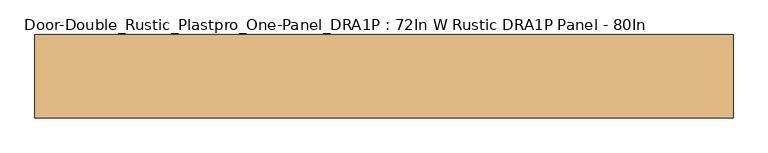
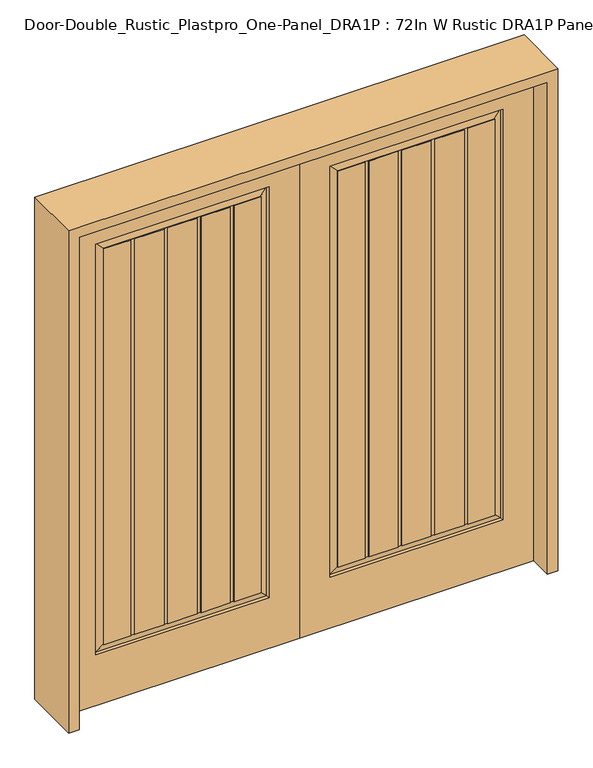
"""IFC4 building model written with IfcOpenShell, lengths in millimetres: door geometry, Door-Double_Rustic_Plastpro_One-Panel_DRA1P : 72In W Rustic DRA1P Panel - 80In."""

import ifcopenshell
import ifcopenshell.guid

model = None  # the IFC model being written
_history = None  # IfcOwnerHistory: only IFC2X3 demands one
_inside = {}  # id of a spatial element -> (the spatial element, [elements in it])
_under = {}  # id of a project, library or spatial element -> (it, [spatial elements below it])
_declared = {}  # id of a project -> (the project, [libraries it declares])
_typed = {}  # id of a type object -> (the type object, [elements of that type])
_made_of = {}  # id of a material, layer set ... -> (it, [elements and type objects made of it])


def new_model(schema):
    """Start an empty IFC model of exactly this schema.

    Asked for "IFC4X3", IfcOpenShell would pick the latest addendum, in which some entities
    have other attributes; the version numbers below select the first issue.
    IFC2X3 requires an IfcOwnerHistory on every rooted entity: one is made here for all.
    """
    global model, _history
    if schema == "IFC4X3":
        model = ifcopenshell.file(schema_version=(4, 3, 0, 0))
    else:
        model = ifcopenshell.file(schema=schema)
    _inside.clear()
    _under.clear()
    _declared.clear()
    _typed.clear()
    _made_of.clear()
    _history = None
    if model.schema == "IFC2X3":
        org = make("IfcOrganization", Name="unknown")
        user = make(
            "IfcPersonAndOrganization",
            ThePerson=make("IfcPerson", FamilyName="unknown"),
            TheOrganization=org,
        )
        app = make(
            "IfcApplication",
            ApplicationDeveloper=org,
            Version="unknown",
            ApplicationFullName="unknown",
            ApplicationIdentifier="unknown",
        )
        _history = make(
            "IfcOwnerHistory",
            OwningUser=user,
            OwningApplication=app,
            ChangeAction="ADDED",
            CreationDate=0,
        )
    return model


def make(cls, **values):
    """One entity of the class cls with the attributes given. An attribute that is None is left unset."""
    return model.create_entity(
        cls, **{name: value for name, value in values.items() if value is not None}
    )


def rooted(cls, **values):
    """An entity with a GlobalId (a new one), such as an element, a storey or a relation."""
    return make(cls, GlobalId=ifcopenshell.guid.new(), OwnerHistory=_history, **values)


def si_unit(unit_type, name, prefix=None):
    """IfcSIUnit, for example si_unit("LENGTHUNIT", "METRE", prefix="MILLI")."""
    return make("IfcSIUnit", UnitType=unit_type, Prefix=prefix, Name=name)


def assignment(units):
    """IfcUnitAssignment: the units of a project."""
    return None if units is None else make("IfcUnitAssignment", Units=units)


def point(xyz):
    """IfcCartesianPoint."""
    return None if xyz is None else make("IfcCartesianPoint", Coordinates=xyz)


def direction(xyz):
    """IfcDirection."""
    return None if xyz is None else make("IfcDirection", DirectionRatios=xyz)


def frame(location, z_axis=None, x_axis=None):
    """IfcAxis2Placement3D, a coordinate frame: its origin and axes. An axis left out is left unset."""
    return make(
        "IfcAxis2Placement3D",
        Location=point(location),
        Axis=direction(z_axis),
        RefDirection=direction(x_axis),
    )


def origin():
    """The frame at (0, 0, 0) with its axes left unset."""
    return frame((0.0, 0.0, 0.0))


def place(relative_to, where):
    """IfcLocalPlacement: puts the frame where relative to a parent placement (None: the world)."""
    return make(
        "IfcLocalPlacement", PlacementRelTo=relative_to, RelativePlacement=where
    )


def context(
    kind, dimensions, precision=None, world=None, true_north=None, identifier=None
):
    """IfcGeometricRepresentationContext, for example the 3D "Model" context."""
    return make(
        "IfcGeometricRepresentationContext",
        ContextIdentifier=identifier,
        ContextType=kind,
        CoordinateSpaceDimension=dimensions,
        Precision=precision,
        WorldCoordinateSystem=world,
        TrueNorth=true_north,
    )


def project(units=None, contexts=None):
    """IfcProject with its units and contexts."""
    return rooted(
        "IfcProject",
        Name="project",
        RepresentationContexts=contexts,
        UnitsInContext=assignment(units),
    )


def spatial(cls, under=None, at=None, **own):
    """A site, building, storey or space (cls), placed at a placement, below another one or the project."""
    s = rooted(cls, ObjectPlacement=at, **own)
    if under is not None:
        _under.setdefault(under.id(), (under, []))[1].append(s)
    return s


def polyline(points):
    """IfcPolyline through the points."""
    return make("IfcPolyline", Points=[point(p) for p in points])


def outline(outer, holes=None, kind="AREA"):
    """IfcArbitraryClosedProfileDef: a profile drawn as a closed curve; with holes, ...WithVoids."""
    if holes is None:
        return make("IfcArbitraryClosedProfileDef", ProfileType=kind, OuterCurve=outer)
    return make(
        "IfcArbitraryProfileDefWithVoids",
        ProfileType=kind,
        OuterCurve=outer,
        InnerCurves=holes,
    )


def extrude(swept, where, along, depth):
    """IfcExtrudedAreaSolid: the profile swept, set in the frame where, extruded along a direction by depth."""
    return make(
        "IfcExtrudedAreaSolid",
        SweptArea=swept,
        Position=where,
        ExtrudedDirection=direction(along),
        Depth=depth,
    )


def faces_of(points, faces, orient=None, outer=None):
    """IfcFace entities. A face is a list of loops; a loop is a list of indices into points, from 0.

    orient and outer hold one flag for each loop. By default every Orientation is true, the
    first loop of a face is its IfcFaceOuterBound and the others are IfcFaceBound.
    """
    made = []
    for i, loops in enumerate(faces):
        bounds = []
        for j, loop in enumerate(loops):
            is_outer = j == 0 if outer is None else outer[i][j]
            bounds.append(
                make(
                    "IfcFaceOuterBound" if is_outer else "IfcFaceBound",
                    Bound=make("IfcPolyLoop", Polygon=[points[k] for k in loop]),
                    Orientation=True if orient is None else orient[i][j],
                )
            )
        made.append(make("IfcFace", Bounds=bounds))
    return made


def faceted_brep(points, faces, orient=None, outer=None, voids=None):
    """IfcFacetedBrep: a solid bounded by flat faces; with voids (closed shells), ...WithVoids."""
    shared = [point(p) for p in points]
    hull = make("IfcClosedShell", CfsFaces=faces_of(shared, faces, orient, outer))
    if voids is None:
        return make("IfcFacetedBrep", Outer=hull)
    return make(
        "IfcFacetedBrepWithVoids",
        Outer=hull,
        Voids=[
            make(cls, CfsFaces=faces_of(shared, fs, o, b)) for cls, fs, o, b in voids
        ],
    )


def shape(context_of_items, identifier, shape_type, items):
    """IfcShapeRepresentation: the items that make up one representation, for example the "Body"."""
    return make(
        "IfcShapeRepresentation",
        ContextOfItems=context_of_items,
        RepresentationIdentifier=identifier,
        RepresentationType=shape_type,
        Items=items,
    )


def source(mapping_origin, context_of_items, identifier, shape_type, items):
    """IfcRepresentationMap: a shape defined once, which mapped items show again and again."""
    return make(
        "IfcRepresentationMap",
        MappingOrigin=mapping_origin,
        MappedRepresentation=shape(context_of_items, identifier, shape_type, items),
    )


def transform(
    local_origin,
    x_axis=None,
    y_axis=None,
    z_axis=None,
    scale=None,
    scale2=None,
    scale3=None,
    uniform=True,
):
    """IfcCartesianTransformationOperator3D, or its non-uniform kind. x_axis, y_axis, z_axis: its Axis1, 2, 3."""
    if uniform:
        return make(
            "IfcCartesianTransformationOperator3D",
            Axis1=direction(x_axis),
            Axis2=direction(y_axis),
            LocalOrigin=point(local_origin),
            Scale=scale,
            Axis3=direction(z_axis),
        )
    return make(
        "IfcCartesianTransformationOperator3DnonUniform",
        Axis1=direction(x_axis),
        Axis2=direction(y_axis),
        LocalOrigin=point(local_origin),
        Scale=scale,
        Axis3=direction(z_axis),
        Scale2=scale2,
        Scale3=scale3,
    )


def mapped(mapping_source, mapping_target):
    """IfcMappedItem: shows the shape of a source again, moved by a transform."""
    return make(
        "IfcMappedItem", MappingSource=mapping_source, MappingTarget=mapping_target
    )


def made_of(thing, what):
    """Note that an element or type object is made of a material, layer set ...; save() writes the relation."""
    if what is not None:
        _made_of.setdefault(what.id(), (what, []))[1].append(thing)
    return thing


def element(
    cls,
    number,
    at=None,
    inside=None,
    cuts=None,
    type_object=None,
    material=None,
    context=None,
    identifier="Body",
    shape_type=None,
    held_by="IfcProductDefinitionShape",
    body=None,
    shapes=None,
    **own,
):
    """One element of the class cls, such as IfcWall. Its Tag is "e" and its number.

    at: its placement. inside: the storey or other place that contains it. cuts: it is an
    opening in that element (IfcRelVoidsElement). A single representation is given by context,
    identifier, shape_type and body (its items); several are given by shapes. held_by: the class
    of the entity that holds the representations. save() writes the other relations.
    """
    e = rooted(cls, Tag="e%d" % number, ObjectPlacement=at, **own)
    if body is not None:
        shapes = [shape(context, identifier, shape_type, body)]
    if shapes is not None:
        e.Representation = make(held_by, Representations=shapes)
    if inside is not None:
        _inside.setdefault(inside.id(), (inside, []))[1].append(e)
    if cuts is not None:
        rooted(
            "IfcRelVoidsElement", RelatingBuildingElement=cuts, RelatedOpeningElement=e
        )
    if type_object is not None:
        _typed.setdefault(type_object.id(), (type_object, []))[1].append(e)
    return made_of(e, material)


def aggregate(whole, parts):
    """IfcRelAggregates: a whole, such as a stair, and the parts it consists of."""
    return rooted("IfcRelAggregates", RelatingObject=whole, RelatedObjects=parts)


def save(model, path):
    """Write the relations noted so far, then the file.

    IfcRelAggregates (storeys below a building ...), IfcRelContainedInSpatialStructure (elements
    in a storey), IfcRelDefinesByType, IfcRelAssociatesMaterial and IfcRelDeclares: one each for
    every whole, place, type object, material and project.
    """
    for whole, parts in _under.values():
        aggregate(whole, parts)
    for where, things in _inside.values():
        rooted(
            "IfcRelContainedInSpatialStructure",
            RelatedElements=things,
            RelatingStructure=where,
        )
    for kind, things in _typed.values():
        rooted("IfcRelDefinesByType", RelatedObjects=things, RelatingType=kind)
    for what, things in _made_of.values():
        rooted("IfcRelAssociatesMaterial", RelatedObjects=things, RelatingMaterial=what)
    for by, libraries in _declared.values():
        rooted("IfcRelDeclares", RelatingContext=by, RelatedDefinitions=libraries)
    model.write(path)


def door_double_rustic_plastpro_one_panel_dra1p_72in_w_rustic_4f446e52(model_context):
    return source(origin(), model_context, "Body", "SolidModel", [
        faceted_brep([(-914.4, 20.6375, 0.0), (-914.4, 20.6375, 2032.0), (0.0, 20.6375, 2032.0), (0.0, 20.6375, 0.0), (-643.2818925, 20.6375, 209.55), (-529.0195267, 20.6375, 209.55), (-513.7398392, 20.6375, 209.55), (-399.4774733, 20.6375, 209.55), (-384.1977858, 20.6375, 209.55), (-269.93542, 20.6375, 209.55), (-254.6557325, 20.6375, 209.55), (-119.0625, 20.6375, 209.55), (-119.0625, 20.6375, 1905.0), (-795.3375, 20.6375, 1905.0), (-795.3375, 20.6375, 209.55), (-658.56158, 20.6375, 209.55), (-658.56158, 20.6375, 1866.9), (-658.56158, 20.6375, 240.75717), (-764.13033, 20.6375, 240.75717), (-764.13033, 20.6375, 1873.79283), (-150.26967, 20.6375, 1873.79283), (-150.26967, 20.6375, 240.75717), (-254.6557325, 20.6375, 240.75717), (-254.6557325, 20.6375, 1866.9), (-269.93542, 20.6375, 1866.9), (-269.93542, 20.6375, 240.75717), (-384.1977858, 20.6375, 240.75717), (-384.1977858, 20.6375, 1866.9), (-399.4774733, 20.6375, 1866.9), (-399.4774733, 20.6375, 240.75717), (-513.7398392, 20.6375, 240.75717), (-513.7398392, 20.6375, 1866.9), (-529.0195267, 20.6375, 1866.9), (-529.0195267, 20.6375, 240.75717), (-643.2818925, 20.6375, 240.75717), (-643.2818925, 20.6375, 1866.9), (0.0, -20.6375, 0.0), (-914.4, -20.6375, 0.0), (0.0, -20.6375, 2032.0), (-914.4, -20.6375, 2032.0), (-658.56158, 17.4625, 209.55), (-643.2818925, 17.4625, 209.55), (-399.4774733, 17.4625, 209.55), (-384.1977858, 17.4625, 209.55), (-529.0195267, 17.4625, 209.55), (-513.7398392, 17.4625, 209.55), (-658.56158, 17.4625, 210.9636011), (-658.56158, 17.4625, 1866.9), (-658.56158, 17.4625, 240.75717), (-384.1977858, 17.4625, 240.75717), (-384.1977858, 17.4625, 1866.9), (-384.1977858, 17.4625, 210.9636011), (-643.2818925, 17.4625, 240.75717), (-643.2818925, 17.4625, 1866.9), (-643.2818925, 17.4625, 210.9636011), (-529.0195267, 17.4625, 210.9636011), (-529.0195267, 17.4625, 1866.9), (-529.0195267, 17.4625, 240.75717), (-513.7398392, 17.4625, 240.75717), (-513.7398392, 17.4625, 1866.9), (-513.7398392, 17.4625, 210.9636011), (-399.4774733, 17.4625, 210.9636011), (-399.4774733, 17.4625, 1866.9), (-399.4774733, 17.4625, 240.75717), (-795.3375, -20.6375, 209.55), (-795.3375, -20.6375, 1905.0), (-119.0625, -20.6375, 1905.0), (-119.0625, -20.6375, 209.55), (-400.2659317, -20.6375, 1873.79283), (-514.1340683, -20.6375, 1873.79283), (-514.1340683, -20.6375, 240.75717), (-400.2659317, -20.6375, 240.75717), (-384.9862442, -20.6375, 240.75717), (-271.1181075, -20.6375, 240.75717), (-271.1181075, -20.6375, 1873.79283), (-384.9862442, -20.6375, 1873.79283), (-529.4137558, -20.6375, 1873.79283), (-643.2818925, -20.6375, 1873.79283), (-643.2818925, -20.6375, 240.75717), (-529.4137558, -20.6375, 240.75717), (-658.56158, -20.6375, 1873.79283), (-764.13033, -20.6375, 1873.79283), (-764.13033, -20.6375, 240.75717), (-658.56158, -20.6375, 240.75717), (-255.83842, -20.6375, 240.75717), (-150.26967, -20.6375, 240.75717), (-150.26967, -20.6375, 1873.79283), (-255.83842, -20.6375, 1873.79283), (-400.2659317, -17.4625, 240.75717), (-400.2659317, -17.4625, 1873.79283), (-514.1340683, -17.4625, 1873.79283), (-514.1340683, -17.4625, 240.75717), (-529.4137558, -17.4625, 240.75717), (-529.4137558, -17.4625, 1873.79283), (-384.9862442, -17.4625, 1873.79283), (-384.9862442, -17.4625, 240.75717), (-658.56158, -17.4625, 240.75717), (-658.56158, -17.4625, 1873.79283), (-123.281307, 11.1619043, 213.768807), (-254.6557325, 17.4625, 210.9636011), (-269.93542, 17.4625, 210.9636011), (-791.118693, 11.1619043, 213.768807), (-791.118693, 11.1619043, 1900.781193), (-123.281307, 11.1619043, 1900.781193), (-269.93542, 17.4625, 209.55), (-254.6557325, 17.4625, 209.55), (-764.13033, 16.4079106, 240.75717), (-269.93542, 17.4625, 240.75717), (-254.6557325, 17.4625, 240.75717), (-150.26967, 16.4079106, 240.75717), (-269.93542, 17.4625, 1866.9), (-254.6557325, 17.4625, 1866.9), (-150.26967, 16.4079106, 1873.79283), (-764.13033, 16.4079106, 1873.79283), (-150.26967, -16.4079106, 240.75717), (-255.83842, -17.4625, 240.75717), (-271.1181075, -17.4625, 240.75717), (-643.2818925, -17.4625, 240.75717), (-764.13033, -16.4079106, 240.75717), (-271.1181075, -17.4625, 1873.79283), (-643.2818925, -17.4625, 1873.79283), (-791.118693, -11.1619043, 213.768807), (-123.281307, -11.1619043, 213.768807), (-123.281307, -11.1619043, 1900.781193), (-791.118693, -11.1619043, 1900.781193), (-764.13033, -16.4079106, 1873.79283), (-255.83842, -17.4625, 1873.79283), (-150.26967, -16.4079106, 1873.79283)], [[[0, 1, 2, 3], [4, 5, 6, 7, 8, 9, 10, 11, 12, 13, 14, 15]], [[16, 17, 18, 19, 20, 21, 22, 23, 24, 25, 26, 27, 28, 29, 30, 31, 32, 33, 34, 35]], [[3, 36, 37, 0]], [[2, 38, 36, 3]], [[0, 37, 39, 1]], [[15, 40, 41, 4]], [[7, 42, 43, 8]], [[5, 44, 45, 6]], [[15, 46, 40]], [[47, 48, 17, 16]], [[27, 26, 49, 50]], [[43, 51, 8]], [[35, 34, 52, 53]], [[41, 54, 4]], [[5, 55, 44]], [[56, 57, 33, 32]], [[31, 30, 58, 59]], [[45, 60, 6]], [[7, 61, 42]], [[62, 63, 29, 28]], [[36, 38, 39, 37], [64, 65, 66, 67]], [[68, 69, 70, 71]], [[72, 73, 74, 75]], [[76, 77, 78, 79]], [[80, 81, 82, 83]], [[84, 85, 86, 87]], [[71, 88, 89, 68]], [[69, 90, 91, 70]], [[79, 92, 93, 76]], [[75, 94, 95, 72]], [[83, 96, 97, 80]], [[88, 95, 94, 89]], [[92, 91, 90, 93]], [[42, 61, 51, 43]], [[50, 49, 63, 62]], [[44, 55, 60, 45]], [[59, 58, 57, 56]], [[40, 46, 54, 41]], [[53, 52, 48, 47]], [[1, 39, 38, 2]], [[35, 53, 47, 16]], [[27, 50, 62, 28]], [[31, 59, 56, 32]], [[98, 11, 10, 99, 100, 9, 8, 51, 61, 7, 6, 60, 55, 5, 4, 54, 46, 15, 14, 101]], [[14, 13, 102, 101]], [[98, 103, 12, 11]], [[9, 104, 105, 10]], [[106, 18, 17, 48, 52, 34, 33, 57, 58, 30, 29, 63, 49, 26, 25, 107, 108, 22, 21, 109]], [[9, 100, 104]], [[110, 107, 25, 24]], [[23, 22, 108, 111]], [[105, 99, 10]], [[21, 20, 112, 109]], [[106, 113, 19, 18]], [[114, 85, 84, 115, 116, 73, 72, 95, 88, 71, 70, 91, 92, 79, 78, 117, 96, 83, 82, 118]], [[73, 116, 119, 74]], [[77, 120, 117, 78]], [[121, 64, 67, 122]], [[67, 66, 123, 122]], [[121, 124, 65, 64]], [[82, 81, 125, 118]], [[87, 126, 115, 84]], [[114, 127, 86, 85]], [[118, 121, 122, 114]], [[96, 117, 120, 97]], [[116, 115, 126, 119]], [[122, 123, 127, 114]], [[118, 125, 124, 121]], [[101, 106, 109, 98]], [[104, 100, 99, 105]], [[111, 108, 107, 110]], [[109, 112, 103, 98]], [[101, 102, 113, 106]], [[13, 12, 103, 102]], [[124, 123, 66, 65]], [[125, 127, 123, 124]], [[102, 103, 112, 113]], [[81, 80, 97, 120, 77, 76, 93, 90, 69, 68, 89, 94, 75, 74, 119, 126, 87, 86, 127, 125]], [[113, 112, 20, 19]], [[23, 111, 110, 24]]]),
        faceted_brep([(914.4, 20.6375, 0.0), (0.0, 20.6375, 0.0), (0.0, 20.6375, 2032.0), (914.4, 20.6375, 2032.0), (643.2818925, 20.6375, 209.55), (658.56158, 20.6375, 209.55), (795.3375, 20.6375, 209.55), (795.3375, 20.6375, 1905.0), (119.0625, 20.6375, 1905.0), (119.0625, 20.6375, 209.55), (254.6557325, 20.6375, 209.55), (269.93542, 20.6375, 209.55), (384.1977858, 20.6375, 209.55), (399.4774733, 20.6375, 209.55), (513.7398392, 20.6375, 209.55), (529.0195267, 20.6375, 209.55), (658.56158, 20.6375, 1866.9), (643.2818925, 20.6375, 1866.9), (643.2818925, 20.6375, 240.75717), (529.0195267, 20.6375, 240.75717), (529.0195267, 20.6375, 1866.9), (513.7398392, 20.6375, 1866.9), (513.7398392, 20.6375, 240.75717), (399.4774733, 20.6375, 240.75717), (399.4774733, 20.6375, 1866.9), (384.1977858, 20.6375, 1866.9), (384.1977858, 20.6375, 240.75717), (269.93542, 20.6375, 240.75717), (269.93542, 20.6375, 1866.9), (254.6557325, 20.6375, 1866.9), (254.6557325, 20.6375, 240.75717), (150.26967, 20.6375, 240.75717), (150.26967, 20.6375, 1873.79283), (764.13033, 20.6375, 1873.79283), (764.13033, 20.6375, 240.75717), (658.56158, 20.6375, 240.75717), (914.4, -20.6375, 0.0), (0.0, -20.6375, 0.0), (0.0, -20.6375, 2032.0), (914.4, -20.6375, 2032.0), (643.2818925, 17.4625, 209.55), (658.56158, 17.4625, 209.55), (384.1977858, 17.4625, 209.55), (399.4774733, 17.4625, 209.55), (513.7398392, 17.4625, 209.55), (529.0195267, 17.4625, 209.55), (658.56158, 17.4625, 210.9636011), (658.56158, 17.4625, 1866.9), (658.56158, 17.4625, 240.75717), (384.1977858, 17.4625, 210.9636011), (384.1977858, 17.4625, 1866.9), (384.1977858, 17.4625, 240.75717), (643.2818925, 17.4625, 210.9636011), (643.2818925, 17.4625, 1866.9), (643.2818925, 17.4625, 240.75717), (529.0195267, 17.4625, 210.9636011), (529.0195267, 17.4625, 1866.9), (529.0195267, 17.4625, 240.75717), (513.7398392, 17.4625, 210.9636011), (513.7398392, 17.4625, 1866.9), (513.7398392, 17.4625, 240.75717), (399.4774733, 17.4625, 210.9636011), (399.4774733, 17.4625, 1866.9), (399.4774733, 17.4625, 240.75717), (795.3375, -20.6375, 209.55), (119.0625, -20.6375, 209.55), (119.0625, -20.6375, 1905.0), (795.3375, -20.6375, 1905.0), (400.2659317, -20.6375, 1873.79283), (400.2659317, -20.6375, 240.75717), (514.1340683, -20.6375, 240.75717), (514.1340683, -20.6375, 1873.79283), (384.9862442, -20.6375, 240.75717), (384.9862442, -20.6375, 1873.79283), (271.1181075, -20.6375, 1873.79283), (271.1181075, -20.6375, 240.75717), (529.4137558, -20.6375, 1873.79283), (529.4137558, -20.6375, 240.75717), (643.2818925, -20.6375, 240.75717), (643.2818925, -20.6375, 1873.79283), (658.56158, -20.6375, 1873.79283), (658.56158, -20.6375, 240.75717), (764.13033, -20.6375, 240.75717), (764.13033, -20.6375, 1873.79283), (255.83842, -20.6375, 240.75717), (255.83842, -20.6375, 1873.79283), (150.26967, -20.6375, 1873.79283), (150.26967, -20.6375, 240.75717), (400.2659317, -17.4625, 1873.79283), (400.2659317, -17.4625, 240.75717), (514.1340683, -17.4625, 240.75717), (514.1340683, -17.4625, 1873.79283), (529.4137558, -17.4625, 1873.79283), (529.4137558, -17.4625, 240.75717), (384.9862442, -17.4625, 240.75717), (384.9862442, -17.4625, 1873.79283), (658.56158, -17.4625, 1873.79283), (658.56158, -17.4625, 240.75717), (123.281307, 11.1619043, 213.768807), (791.118693, 11.1619043, 213.768807), (269.93542, 17.4625, 210.9636011), (254.6557325, 17.4625, 210.9636011), (791.118693, 11.1619043, 1900.781193), (123.281307, 11.1619043, 1900.781193), (254.6557325, 17.4625, 209.55), (269.93542, 17.4625, 209.55), (764.13033, 16.4079106, 240.75717), (150.26967, 16.4079106, 240.75717), (254.6557325, 17.4625, 240.75717), (269.93542, 17.4625, 240.75717), (269.93542, 17.4625, 1866.9), (254.6557325, 17.4625, 1866.9), (150.26967, 16.4079106, 1873.79283), (764.13033, 16.4079106, 1873.79283), (150.26967, -16.4079106, 240.75717), (764.13033, -16.4079106, 240.75717), (643.2818925, -17.4625, 240.75717), (271.1181075, -17.4625, 240.75717), (255.83842, -17.4625, 240.75717), (271.1181075, -17.4625, 1873.79283), (643.2818925, -17.4625, 1873.79283), (791.118693, -11.1619043, 213.768807), (123.281307, -11.1619043, 213.768807), (123.281307, -11.1619043, 1900.781193), (791.118693, -11.1619043, 1900.781193), (764.13033, -16.4079106, 1873.79283), (255.83842, -17.4625, 1873.79283), (150.26967, -16.4079106, 1873.79283)], [[[0, 1, 2, 3], [4, 5, 6, 7, 8, 9, 10, 11, 12, 13, 14, 15]], [[16, 17, 18, 19, 20, 21, 22, 23, 24, 25, 26, 27, 28, 29, 30, 31, 32, 33, 34, 35]], [[1, 0, 36, 37]], [[2, 1, 37, 38]], [[0, 3, 39, 36]], [[5, 4, 40, 41]], [[13, 12, 42, 43]], [[15, 14, 44, 45]], [[5, 41, 46]], [[47, 16, 35, 48]], [[42, 12, 49]], [[25, 50, 51, 26]], [[40, 4, 52]], [[17, 53, 54, 18]], [[15, 45, 55]], [[56, 20, 19, 57]], [[44, 14, 58]], [[21, 59, 60, 22]], [[13, 43, 61]], [[62, 24, 23, 63]], [[37, 36, 39, 38], [64, 65, 66, 67]], [[68, 69, 70, 71]], [[72, 73, 74, 75]], [[76, 77, 78, 79]], [[80, 81, 82, 83]], [[84, 85, 86, 87]], [[69, 68, 88, 89]], [[71, 70, 90, 91]], [[77, 76, 92, 93]], [[73, 72, 94, 95]], [[81, 80, 96, 97]], [[89, 88, 95, 94]], [[93, 92, 91, 90]], [[43, 42, 49, 61]], [[50, 62, 63, 51]], [[45, 44, 58, 55]], [[59, 56, 57, 60]], [[41, 40, 52, 46]], [[53, 47, 48, 54]], [[3, 2, 38, 39]], [[17, 16, 47, 53]], [[25, 24, 62, 50]], [[21, 20, 56, 59]], [[98, 99, 6, 5, 46, 52, 4, 15, 55, 58, 14, 13, 61, 49, 12, 11, 100, 101, 10, 9]], [[6, 99, 102, 7]], [[98, 9, 8, 103]], [[11, 10, 104, 105]], [[106, 107, 31, 30, 108, 109, 27, 26, 51, 63, 23, 22, 60, 57, 19, 18, 54, 48, 35, 34]], [[11, 105, 100]], [[110, 28, 27, 109]], [[104, 10, 101]], [[29, 111, 108, 30]], [[31, 107, 112, 32]], [[106, 34, 33, 113]], [[114, 115, 82, 81, 97, 116, 78, 77, 93, 90, 70, 69, 89, 94, 72, 75, 117, 118, 84, 87]], [[75, 74, 119, 117]], [[79, 78, 116, 120]], [[121, 122, 65, 64]], [[65, 122, 123, 66]], [[121, 64, 67, 124]], [[82, 115, 125, 83]], [[85, 84, 118, 126]], [[114, 87, 86, 127]], [[115, 114, 122, 121]], [[97, 96, 120, 116]], [[117, 119, 126, 118]], [[122, 114, 127, 123]], [[115, 121, 124, 125]], [[99, 98, 107, 106]], [[105, 104, 101, 100]], [[111, 110, 109, 108]], [[107, 98, 103, 112]], [[99, 106, 113, 102]], [[7, 102, 103, 8]], [[124, 67, 66, 123]], [[125, 124, 123, 127]], [[102, 113, 112, 103]], [[83, 125, 127, 86, 85, 126, 119, 74, 73, 95, 88, 68, 71, 91, 92, 76, 79, 120, 96, 80]], [[113, 33, 32, 112]], [[29, 28, 110, 111]]]),
        extrude(outline(polyline([(2073.275, -955.675), (0.0, -955.675), (0.0, -914.4), (2032.0, -914.4), (2032.0, 914.4), (0.0, 914.4), (0.0, 955.675), (2073.275, 955.675), (2073.275, -955.675)])), frame((0.0, -114.3, 0.0), z_axis=(0.0, 1.0, 0.0), x_axis=(0.0, 0.0, 1.0)), (0.0, 0.0, 1.0), 228.6),
    ])


if __name__ == "__main__":
    model = new_model("IFC4")
    model_context = context("Model", 3, world=origin())
    ifc_project = project(units=[si_unit("LENGTHUNIT", "METRE", prefix="MILLI")], contexts=[model_context])
    site = spatial("IfcSite", under=ifc_project)
    building = spatial("IfcBuilding", under=site)
    placement = place(None, origin())
    door_double_rustic_plastpro_one_panel_dra1p_72in_w_rustic_shape = door_double_rustic_plastpro_one_panel_dra1p_72in_w_rustic_4f446e52(model_context)
    element("IfcDoor", 1, ObjectType="Door-Double_Rustic_Plastpro_One-Panel_DRA1P : 72In W Rustic DRA1P Panel - 80In", at=placement, inside=building, context=model_context, shape_type="MappedRepresentation", body=[
        mapped(door_double_rustic_plastpro_one_panel_dra1p_72in_w_rustic_shape, transform((0.0, 0.0, 0.0), x_axis=(1.0, 0.0, 0.0), y_axis=(0.0, 1.0, 0.0), z_axis=(0.0, 0.0, 1.0))),
    ])
    save(model, "model.ifc")
